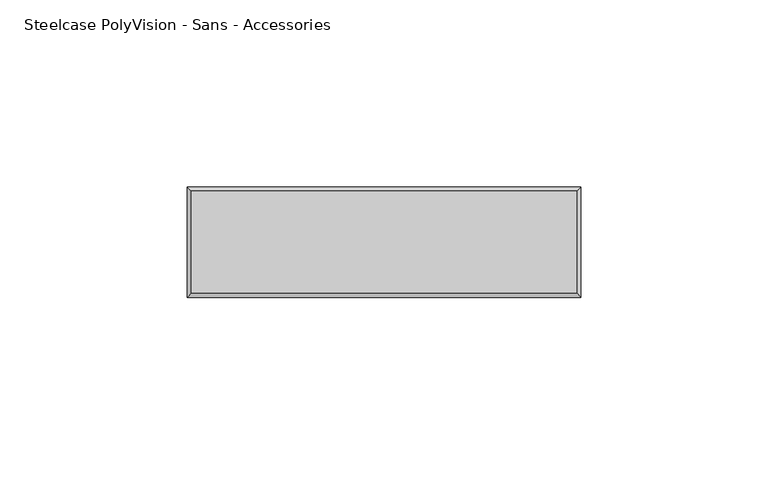
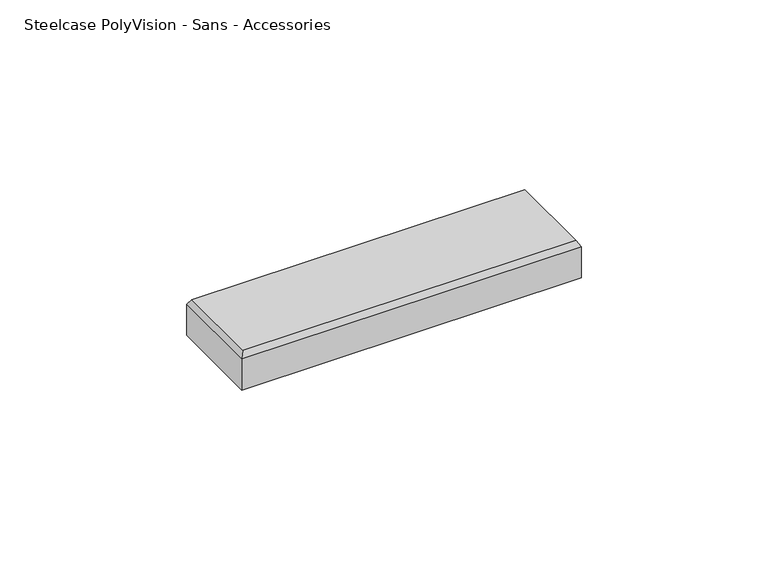
"""IFC4 building model written with IfcOpenShell, lengths in millimetres: furniture geometry, Steelcase PolyVision - Sans - Accessories."""

from ifc_helpers import new_model, si_unit, frame, origin, place, context, project, spatial, polyline, outline, extrude, faceted_brep, source, transform, mapped, element, save


def steelcase_polyvision_sans_accessories_5154e49a(model_context):
    return source(origin(), model_context, "Body", "SolidModel", [
        faceted_brep([(35.5733477, -14.3511883, 737.7542463), (-67.3336999, -14.3511883, 737.7542463), (-67.3336999, -41.575275, 737.7542463), (35.5733477, -41.575275, 737.7542463), (36.6429497, -13.2817858, 736.0922064), (36.6429497, -42.814313, 736.0922064), (-68.3570503, -42.814313, 736.0922064), (-68.3570503, -13.2817858, 736.0922064)], [[[0, 1, 2, 3]], [[4, 5, 6, 7]], [[4, 7, 1, 0]], [[7, 6, 2, 1]], [[6, 5, 3, 2]], [[5, 4, 0, 3]]]),
        extrude(outline(polyline([(36.6429497, -13.2817858), (36.6429497, -42.814313), (-68.3570503, -42.814313), (-68.3570503, -13.2817858), (36.6429497, -13.2817858)])), frame((0.0, 0.0, 725.9323614), z_axis=(0.0, 0.0, 1.0), x_axis=(1.0, 0.0, 0.0)), (0.0, 0.0, 1.0), 10.159845),
    ])


if __name__ == "__main__":
    model = new_model("IFC4")
    model_context = context("Model", 3, world=origin())
    ifc_project = project(units=[si_unit("LENGTHUNIT", "METRE", prefix="MILLI")], contexts=[model_context])
    site = spatial("IfcSite", under=ifc_project)
    building = spatial("IfcBuilding", under=site)
    placement = place(None, origin())
    steelcase_polyvision_sans_accessories_shape = steelcase_polyvision_sans_accessories_5154e49a(model_context)
    element("IfcFurniture", 1, ObjectType="Steelcase PolyVision - Sans - Accessories", at=placement, inside=building, context=model_context, shape_type="MappedRepresentation", body=[
        mapped(steelcase_polyvision_sans_accessories_shape, transform((0.0, 0.0, 0.0), x_axis=(1.0, 0.0, 0.0), y_axis=(0.0, 1.0, 0.0), z_axis=(0.0, 0.0, 1.0))),
    ])
    save(model, "model.ifc")
